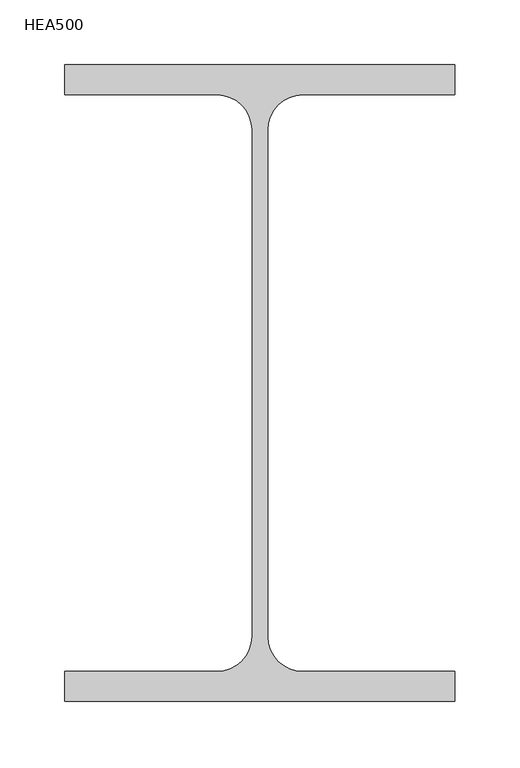
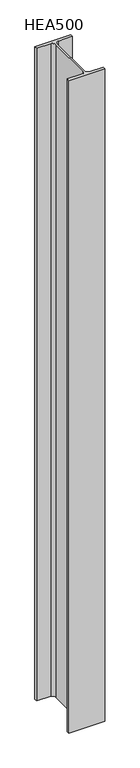
"""IFC4 building model written with IfcOpenShell, lengths in millimetres: column geometry, HEA500."""

import ifcopenshell
import ifcopenshell.guid

model = None  # the IFC model being written
_history = None  # IfcOwnerHistory: only IFC2X3 demands one
_inside = {}  # id of a spatial element -> (the spatial element, [elements in it])
_under = {}  # id of a project, library or spatial element -> (it, [spatial elements below it])
_declared = {}  # id of a project -> (the project, [libraries it declares])
_typed = {}  # id of a type object -> (the type object, [elements of that type])
_made_of = {}  # id of a material, layer set ... -> (it, [elements and type objects made of it])


def new_model(schema):
    """Start an empty IFC model of exactly this schema.

    Asked for "IFC4X3", IfcOpenShell would pick the latest addendum, in which some entities
    have other attributes; the version numbers below select the first issue.
    IFC2X3 requires an IfcOwnerHistory on every rooted entity: one is made here for all.
    """
    global model, _history
    if schema == "IFC4X3":
        model = ifcopenshell.file(schema_version=(4, 3, 0, 0))
    else:
        model = ifcopenshell.file(schema=schema)
    _inside.clear()
    _under.clear()
    _declared.clear()
    _typed.clear()
    _made_of.clear()
    _history = None
    if model.schema == "IFC2X3":
        org = make("IfcOrganization", Name="unknown")
        user = make(
            "IfcPersonAndOrganization",
            ThePerson=make("IfcPerson", FamilyName="unknown"),
            TheOrganization=org,
        )
        app = make(
            "IfcApplication",
            ApplicationDeveloper=org,
            Version="unknown",
            ApplicationFullName="unknown",
            ApplicationIdentifier="unknown",
        )
        _history = make(
            "IfcOwnerHistory",
            OwningUser=user,
            OwningApplication=app,
            ChangeAction="ADDED",
            CreationDate=0,
        )
    return model


def make(cls, **values):
    """One entity of the class cls with the attributes given. An attribute that is None is left unset."""
    return model.create_entity(
        cls, **{name: value for name, value in values.items() if value is not None}
    )


def rooted(cls, **values):
    """An entity with a GlobalId (a new one), such as an element, a storey or a relation."""
    return make(cls, GlobalId=ifcopenshell.guid.new(), OwnerHistory=_history, **values)


def si_unit(unit_type, name, prefix=None):
    """IfcSIUnit, for example si_unit("LENGTHUNIT", "METRE", prefix="MILLI")."""
    return make("IfcSIUnit", UnitType=unit_type, Prefix=prefix, Name=name)


def assignment(units):
    """IfcUnitAssignment: the units of a project."""
    return None if units is None else make("IfcUnitAssignment", Units=units)


def point(xyz):
    """IfcCartesianPoint."""
    return None if xyz is None else make("IfcCartesianPoint", Coordinates=xyz)


def direction(xyz):
    """IfcDirection."""
    return None if xyz is None else make("IfcDirection", DirectionRatios=xyz)


def frame(location, z_axis=None, x_axis=None):
    """IfcAxis2Placement3D, a coordinate frame: its origin and axes. An axis left out is left unset."""
    return make(
        "IfcAxis2Placement3D",
        Location=point(location),
        Axis=direction(z_axis),
        RefDirection=direction(x_axis),
    )


def frame_2d(location, x_axis=None):
    """IfcAxis2Placement2D, a coordinate frame in the plane: its origin and x axis."""
    return make(
        "IfcAxis2Placement2D", Location=point(location), RefDirection=direction(x_axis)
    )


def origin():
    """The frame at (0, 0, 0) with its axes left unset."""
    return frame((0.0, 0.0, 0.0))


def place(relative_to, where):
    """IfcLocalPlacement: puts the frame where relative to a parent placement (None: the world)."""
    return make(
        "IfcLocalPlacement", PlacementRelTo=relative_to, RelativePlacement=where
    )


def context(
    kind, dimensions, precision=None, world=None, true_north=None, identifier=None
):
    """IfcGeometricRepresentationContext, for example the 3D "Model" context."""
    return make(
        "IfcGeometricRepresentationContext",
        ContextIdentifier=identifier,
        ContextType=kind,
        CoordinateSpaceDimension=dimensions,
        Precision=precision,
        WorldCoordinateSystem=world,
        TrueNorth=true_north,
    )


def project(units=None, contexts=None):
    """IfcProject with its units and contexts."""
    return rooted(
        "IfcProject",
        Name="project",
        RepresentationContexts=contexts,
        UnitsInContext=assignment(units),
    )


def spatial(cls, under=None, at=None, **own):
    """A site, building, storey or space (cls), placed at a placement, below another one or the project."""
    s = rooted(cls, ObjectPlacement=at, **own)
    if under is not None:
        _under.setdefault(under.id(), (under, []))[1].append(s)
    return s


def polyline(points):
    """IfcPolyline through the points."""
    return make("IfcPolyline", Points=[point(p) for p in points])


def circle_curve(where, radius):
    """IfcCircle in the frame where."""
    return make("IfcCircle", Position=where, Radius=radius)


def trimmed(basis, trim1, trim2, sense, master):
    """IfcTrimmedCurve: the piece of a basis curve between two trims."""
    return make(
        "IfcTrimmedCurve",
        BasisCurve=basis,
        Trim1=trim1,
        Trim2=trim2,
        SenseAgreement=sense,
        MasterRepresentation=master,
    )


def segment(curve, same_sense, transition):
    """IfcCompositeCurveSegment."""
    return make(
        "IfcCompositeCurveSegment",
        Transition=transition,
        SameSense=same_sense,
        ParentCurve=curve,
    )


def composite_curve(segments, self_intersect=None):
    """IfcCompositeCurve: segments joined end to end."""
    return make("IfcCompositeCurve", Segments=segments, SelfIntersect=self_intersect)


def outline(outer, holes=None, kind="AREA"):
    """IfcArbitraryClosedProfileDef: a profile drawn as a closed curve; with holes, ...WithVoids."""
    if holes is None:
        return make("IfcArbitraryClosedProfileDef", ProfileType=kind, OuterCurve=outer)
    return make(
        "IfcArbitraryProfileDefWithVoids",
        ProfileType=kind,
        OuterCurve=outer,
        InnerCurves=holes,
    )


def extrude(swept, where, along, depth):
    """IfcExtrudedAreaSolid: the profile swept, set in the frame where, extruded along a direction by depth."""
    return make(
        "IfcExtrudedAreaSolid",
        SweptArea=swept,
        Position=where,
        ExtrudedDirection=direction(along),
        Depth=depth,
    )


def shape(context_of_items, identifier, shape_type, items):
    """IfcShapeRepresentation: the items that make up one representation, for example the "Body"."""
    return make(
        "IfcShapeRepresentation",
        ContextOfItems=context_of_items,
        RepresentationIdentifier=identifier,
        RepresentationType=shape_type,
        Items=items,
    )


def source(mapping_origin, context_of_items, identifier, shape_type, items):
    """IfcRepresentationMap: a shape defined once, which mapped items show again and again."""
    return make(
        "IfcRepresentationMap",
        MappingOrigin=mapping_origin,
        MappedRepresentation=shape(context_of_items, identifier, shape_type, items),
    )


def transform(
    local_origin,
    x_axis=None,
    y_axis=None,
    z_axis=None,
    scale=None,
    scale2=None,
    scale3=None,
    uniform=True,
):
    """IfcCartesianTransformationOperator3D, or its non-uniform kind. x_axis, y_axis, z_axis: its Axis1, 2, 3."""
    if uniform:
        return make(
            "IfcCartesianTransformationOperator3D",
            Axis1=direction(x_axis),
            Axis2=direction(y_axis),
            LocalOrigin=point(local_origin),
            Scale=scale,
            Axis3=direction(z_axis),
        )
    return make(
        "IfcCartesianTransformationOperator3DnonUniform",
        Axis1=direction(x_axis),
        Axis2=direction(y_axis),
        LocalOrigin=point(local_origin),
        Scale=scale,
        Axis3=direction(z_axis),
        Scale2=scale2,
        Scale3=scale3,
    )


def mapped(mapping_source, mapping_target):
    """IfcMappedItem: shows the shape of a source again, moved by a transform."""
    return make(
        "IfcMappedItem", MappingSource=mapping_source, MappingTarget=mapping_target
    )


def made_of(thing, what):
    """Note that an element or type object is made of a material, layer set ...; save() writes the relation."""
    if what is not None:
        _made_of.setdefault(what.id(), (what, []))[1].append(thing)
    return thing


def element(
    cls,
    number,
    at=None,
    inside=None,
    cuts=None,
    type_object=None,
    material=None,
    context=None,
    identifier="Body",
    shape_type=None,
    held_by="IfcProductDefinitionShape",
    body=None,
    shapes=None,
    **own,
):
    """One element of the class cls, such as IfcWall. Its Tag is "e" and its number.

    at: its placement. inside: the storey or other place that contains it. cuts: it is an
    opening in that element (IfcRelVoidsElement). A single representation is given by context,
    identifier, shape_type and body (its items); several are given by shapes. held_by: the class
    of the entity that holds the representations. save() writes the other relations.
    """
    e = rooted(cls, Tag="e%d" % number, ObjectPlacement=at, **own)
    if body is not None:
        shapes = [shape(context, identifier, shape_type, body)]
    if shapes is not None:
        e.Representation = make(held_by, Representations=shapes)
    if inside is not None:
        _inside.setdefault(inside.id(), (inside, []))[1].append(e)
    if cuts is not None:
        rooted(
            "IfcRelVoidsElement", RelatingBuildingElement=cuts, RelatedOpeningElement=e
        )
    if type_object is not None:
        _typed.setdefault(type_object.id(), (type_object, []))[1].append(e)
    return made_of(e, material)


def aggregate(whole, parts):
    """IfcRelAggregates: a whole, such as a stair, and the parts it consists of."""
    return rooted("IfcRelAggregates", RelatingObject=whole, RelatedObjects=parts)


def save(model, path):
    """Write the relations noted so far, then the file.

    IfcRelAggregates (storeys below a building ...), IfcRelContainedInSpatialStructure (elements
    in a storey), IfcRelDefinesByType, IfcRelAssociatesMaterial and IfcRelDeclares: one each for
    every whole, place, type object, material and project.
    """
    for whole, parts in _under.values():
        aggregate(whole, parts)
    for where, things in _inside.values():
        rooted(
            "IfcRelContainedInSpatialStructure",
            RelatedElements=things,
            RelatingStructure=where,
        )
    for kind, things in _typed.values():
        rooted("IfcRelDefinesByType", RelatedObjects=things, RelatingType=kind)
    for what, things in _made_of.values():
        rooted("IfcRelAssociatesMaterial", RelatedObjects=things, RelatingMaterial=what)
    for by, libraries in _declared.values():
        rooted("IfcRelDeclares", RelatingContext=by, RelatedDefinitions=libraries)
    model.write(path)


def hea500_27a9e62b(model_context):
    return source(origin(), model_context, "Body", "SweptSolid", [
        extrude(outline(composite_curve([segment(polyline([(150.0, -245.0), (-150.0, -245.0), (-150.0, -222.0), (-33.0, -222.0)]), True, "CONTINUOUS"), segment(trimmed(circle_curve(frame_2d((-33.0, -195.0)), 27.0), [point((-33.0, -222.0))], [point((-6.0, -195.0))], True, "CARTESIAN"), True, "CONTINUOUS"), segment(polyline([(-6.0, -195.0), (-6.0, 195.0)]), True, "CONTINUOUS"), segment(trimmed(circle_curve(frame_2d((-33.0, 195.0)), 27.0), [point((-6.0, 195.0))], [point((-33.0, 222.0))], True, "CARTESIAN"), True, "CONTINUOUS"), segment(polyline([(-33.0, 222.0), (-150.0, 222.0), (-150.0, 245.0), (150.0, 245.0), (150.0, 222.0), (33.0, 222.0)]), True, "CONTINUOUS"), segment(trimmed(circle_curve(frame_2d((33.0, 195.0)), 27.0), [point((33.0, 222.0))], [point((6.0, 195.0))], True, "CARTESIAN"), True, "CONTINUOUS"), segment(polyline([(6.0, 195.0), (6.0, -195.0)]), True, "CONTINUOUS"), segment(trimmed(circle_curve(frame_2d((33.0, -195.0)), 27.0), [point((6.0, -195.0))], [point((33.0, -222.0))], True, "CARTESIAN"), True, "CONTINUOUS"), segment(polyline([(33.0, -222.0), (150.0, -222.0), (150.0, -245.0)]), True, "CONTINUOUS")], self_intersect=False)), frame((0.0, 0.0, 800.0), z_axis=(0.0, 0.0, 1.0), x_axis=(1.0, 0.0, 0.0)), (0.0, 0.0, 1.0), 5750.0),
    ])


if __name__ == "__main__":
    model = new_model("IFC4")
    model_context = context("Model", 3, world=origin())
    ifc_project = project(units=[si_unit("LENGTHUNIT", "METRE", prefix="MILLI")], contexts=[model_context])
    site = spatial("IfcSite", under=ifc_project)
    building = spatial("IfcBuilding", under=site)
    placement = place(None, origin())
    hea500_shape = hea500_27a9e62b(model_context)
    element("IfcColumn", 1, ObjectType="HEA500", at=placement, inside=building, context=model_context, shape_type="MappedRepresentation", body=[
        mapped(hea500_shape, transform((0.0, 0.0, 0.0), x_axis=(1.0, 0.0, 0.0), y_axis=(0.0, 1.0, 0.0), z_axis=(0.0, 0.0, 1.0))),
    ])
    save(model, "model.ifc")
